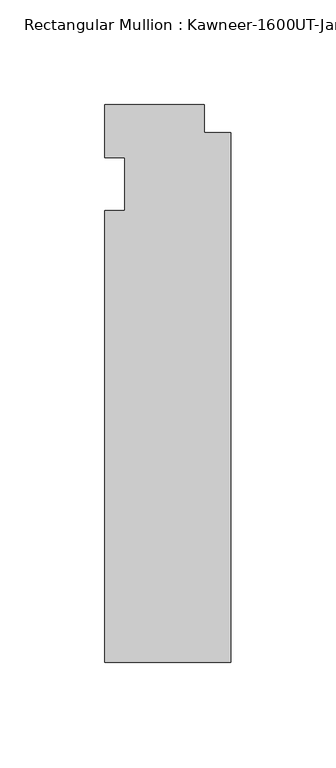
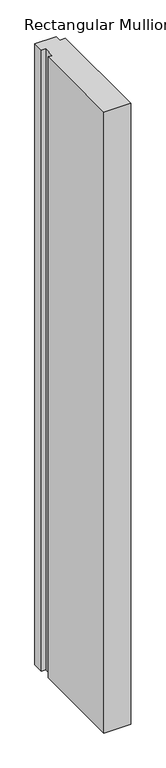
"""IFC4 building model written with IfcOpenShell, lengths in millimetres: member geometry."""

from ifc_helpers import new_model, si_unit, frame, origin, place, context, project, spatial, polyline, outline, extrude, source, transform, mapped, element, save


def member_814f4cd4(model_context):
    return source(origin(), model_context, "Body", "SweptSolid", [
        extrude(outline(polyline([(-60.325, -12.7), (-50.8, -12.7), (-50.8, 12.7), (-60.325, 12.7), (-60.325, 38.1), (-12.7, 38.1), (-12.7, 24.60625), (0.0, 24.60625), (0.0, -228.6), (-60.325, -228.6), (-60.325, -12.7)])), frame((0.0, 0.0, -1463.675), z_axis=(0.0, 0.0, 1.0), x_axis=(1.0, 0.0, 0.0)), (0.0, 0.0, 1.0), 1463.675),
    ])


if __name__ == "__main__":
    model = new_model("IFC4")
    model_context = context("Model", 3, world=origin())
    ifc_project = project(units=[si_unit("LENGTHUNIT", "METRE", prefix="MILLI")], contexts=[model_context])
    site = spatial("IfcSite", under=ifc_project)
    building = spatial("IfcBuilding", under=site)
    placement = place(None, origin())
    member_shape = member_814f4cd4(model_context)
    element("IfcMember", 1, ObjectType="Rectangular Mullion : Kawneer-1600UT-Jamb_Left-Dbl_Glass-10_1/2\"", at=placement, inside=building, context=model_context, shape_type="MappedRepresentation", body=[
        mapped(member_shape, transform((0.0, 0.0, 0.0), x_axis=(1.0, 0.0, 0.0), y_axis=(0.0, 1.0, 0.0), z_axis=(0.0, 0.0, 1.0))),
    ])
    save(model, "model.ifc")
